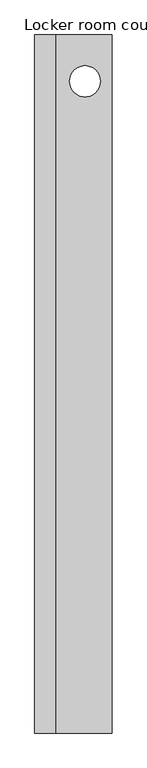
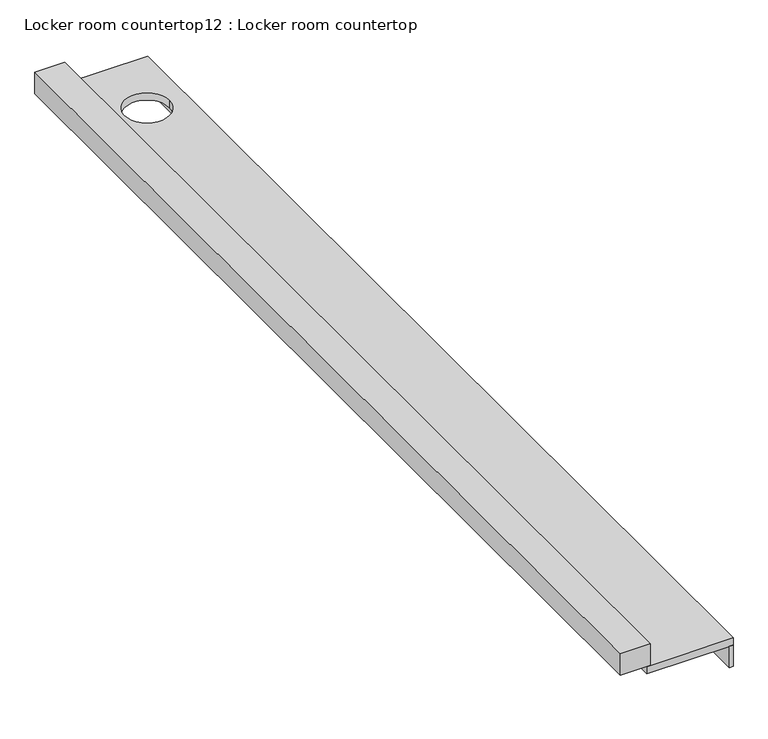
"""IFC4 building model written with IfcOpenShell, lengths in millimetres: furniture geometry, Locker room countertop12 : Locker room countertop."""

from ifc_helpers import new_model, si_unit, point, frame, frame_2d, origin, place, context, project, spatial, polyline, circle_curve, trimmed, segment, composite_curve, outline, extrude, source, transform, mapped, element, save


def locker_room_countertop12_locker_room_countertop_9234b297(model_context):
    return source(origin(), model_context, "Body", "SweptSolid", [
        extrude(outline(polyline([(461633.6754676, -269240.8080223), (461608.2754676, -269240.8080223), (461608.2754676, -262382.8080223), (461633.6754676, -262382.8080223), (461633.6754676, -269240.8080223)])), frame((0.0, 0.0, 660.4), z_axis=(0.0, 0.0, 1.0), x_axis=(1.0, 0.0, 0.0)), (0.0, 0.0, 1.0), 152.4),
        extrude(outline(polyline([(461074.8754676, -262382.8080223), (461074.8754676, -269240.8080223), (460871.6754676, -269240.8080223), (460871.6754676, -262382.8080223), (461074.8754676, -262382.8080223)])), frame((0.0, 0.0, 863.6), z_axis=(0.0, 0.0, 1.0), x_axis=(1.0, 0.0, 0.0)), (0.0, 0.0, 1.0), 152.4),
        extrude(outline(polyline([(461633.6754676, -262382.8080223), (461633.6754676, -269240.8080223), (461049.4754676, -269240.8080223), (461049.4754676, -262382.8080223), (461633.6754676, -262382.8080223)]), holes=[composite_curve([segment(trimmed(circle_curve(frame_2d((461366.4491978, -262838.1152353)), 152.4), [point((461214.0491978, -262838.1152353))], [point((461518.8491978, -262838.1152353))], True, "CARTESIAN"), True, "CONTINUOUS"), segment(trimmed(circle_curve(frame_2d((461366.4491978, -262838.1152353)), 152.4), [point((461518.8491978, -262838.1152353))], [point((461214.0491978, -262838.1152353))], True, "CARTESIAN"), True, "CONTINUOUS")], self_intersect=False)]), frame((0.0, 0.0, 812.8), z_axis=(0.0, 0.0, 1.0), x_axis=(1.0, 0.0, 0.0)), (0.0, 0.0, 1.0), 50.8),
    ])


if __name__ == "__main__":
    model = new_model("IFC4")
    model_context = context("Model", 3, world=origin())
    ifc_project = project(units=[si_unit("LENGTHUNIT", "METRE", prefix="MILLI")], contexts=[model_context])
    site = spatial("IfcSite", under=ifc_project)
    building = spatial("IfcBuilding", under=site)
    placement = place(None, origin())
    locker_room_countertop12_locker_room_countertop_shape = locker_room_countertop12_locker_room_countertop_9234b297(model_context)
    element("IfcFurniture", 1, ObjectType="Locker room countertop12 : Locker room countertop", at=placement, inside=building, context=model_context, shape_type="MappedRepresentation", body=[
        mapped(locker_room_countertop12_locker_room_countertop_shape, transform((0.0, 0.0, 0.0), x_axis=(1.0, 0.0, 0.0), y_axis=(0.0, 1.0, 0.0), z_axis=(0.0, 0.0, 1.0))),
    ])
    save(model, "model.ifc")
